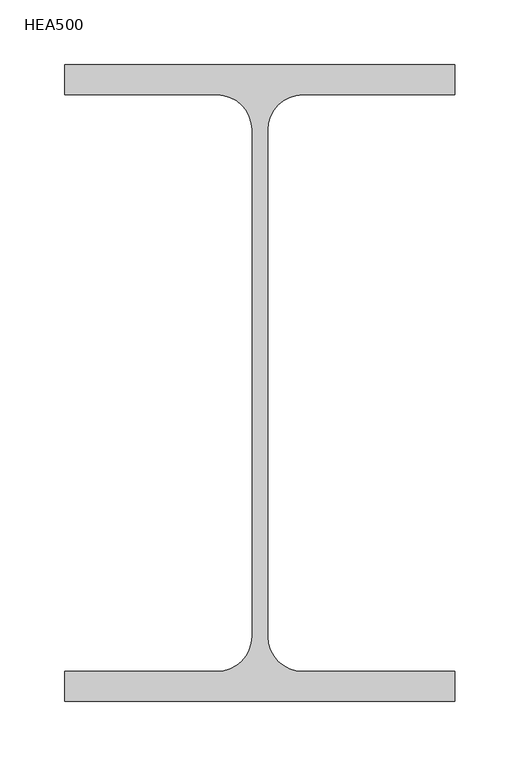
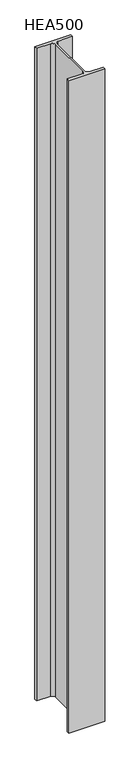
"""IFC4 building model written with IfcOpenShell, lengths in millimetres: column geometry, HEA500."""

from ifc_helpers import new_model, si_unit, point, frame, frame_2d, origin, place, context, project, spatial, polyline, circle_curve, trimmed, segment, composite_curve, outline, extrude, source, transform, mapped, element, save


def hea500_deddedb3(model_context):
    return source(origin(), model_context, "Body", "SweptSolid", [
        extrude(outline(composite_curve([segment(polyline([(150.0, 245.0), (150.0, 222.0), (33.0, 222.0)]), True, "CONTINUOUS"), segment(trimmed(circle_curve(frame_2d((33.0, 195.0)), 27.0), [point((33.0, 222.0))], [point((6.0, 195.0))], True, "CARTESIAN"), True, "CONTINUOUS"), segment(polyline([(6.0, 195.0), (6.0, -195.0)]), True, "CONTINUOUS"), segment(trimmed(circle_curve(frame_2d((33.0, -195.0)), 27.0), [point((6.0, -195.0))], [point((33.0, -222.0))], True, "CARTESIAN"), True, "CONTINUOUS"), segment(polyline([(33.0, -222.0), (150.0, -222.0), (150.0, -245.0), (-150.0, -245.0), (-150.0, -222.0), (-33.0, -222.0)]), True, "CONTINUOUS"), segment(trimmed(circle_curve(frame_2d((-33.0, -195.0)), 27.0), [point((-33.0, -222.0))], [point((-6.0, -195.0))], True, "CARTESIAN"), True, "CONTINUOUS"), segment(polyline([(-6.0, -195.0), (-6.0, 195.0)]), True, "CONTINUOUS"), segment(trimmed(circle_curve(frame_2d((-33.0, 195.0)), 27.0), [point((-6.0, 195.0))], [point((-33.0, 222.0))], True, "CARTESIAN"), True, "CONTINUOUS"), segment(polyline([(-33.0, 222.0), (-150.0, 222.0), (-150.0, 245.0), (150.0, 245.0)]), True, "CONTINUOUS")], self_intersect=False)), frame((0.0, 0.0, 800.0), z_axis=(0.0, 0.0, 1.0), x_axis=(1.0, 0.0, 0.0)), (0.0, 0.0, 1.0), 5750.0),
    ])


if __name__ == "__main__":
    model = new_model("IFC4")
    model_context = context("Model", 3, world=origin())
    ifc_project = project(units=[si_unit("LENGTHUNIT", "METRE", prefix="MILLI")], contexts=[model_context])
    site = spatial("IfcSite", under=ifc_project)
    building = spatial("IfcBuilding", under=site)
    placement = place(None, origin())
    hea500_shape = hea500_deddedb3(model_context)
    element("IfcColumn", 1, ObjectType="HEA500", at=placement, inside=building, context=model_context, shape_type="MappedRepresentation", body=[
        mapped(hea500_shape, transform((0.0, 0.0, 0.0), x_axis=(1.0, 0.0, 0.0), y_axis=(0.0, 1.0, 0.0), z_axis=(0.0, 0.0, 1.0))),
    ])
    save(model, "model.ifc")
